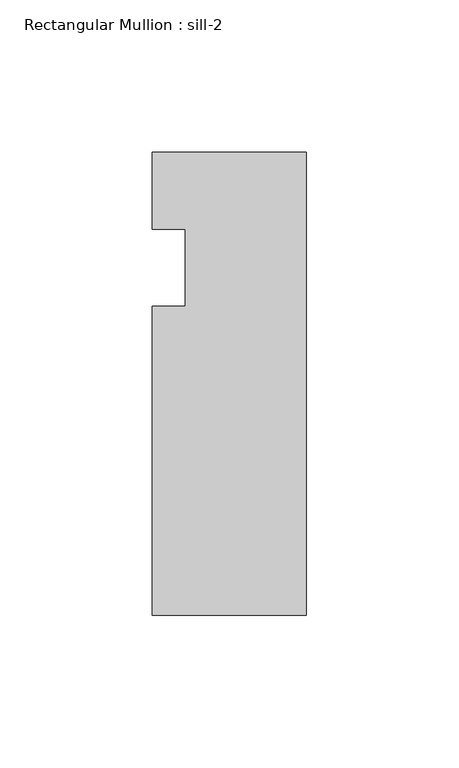
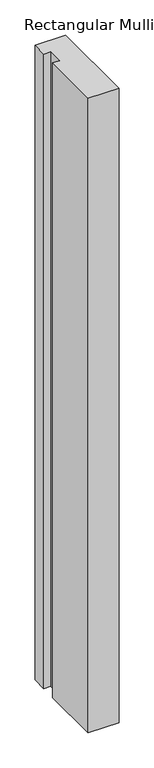
"""IFC4 building model written with IfcOpenShell, lengths in millimetres: member geometry, Rectangular Mullion : sill-2."""

from ifc_helpers import new_model, si_unit, frame, origin, place, context, project, spatial, polyline, outline, extrude, source, transform, mapped, element, save


def rectangular_mullion_sill_2_fe0df52f(model_context):
    return source(origin(), model_context, "Body", "SweptSolid", [
        extrude(outline(polyline([(0.0, 6.35), (0.0, -146.05), (-50.8, -146.05), (-50.8, -44.45), (-39.798625, -44.45), (-39.798625, -19.05), (-50.8, -19.05), (-50.8, 6.35), (0.0, 6.35)])), frame((0.0, 0.0, -1104.9), z_axis=(0.0, 0.0, 1.0), x_axis=(1.0, 0.0, 0.0)), (0.0, 0.0, 1.0), 1104.9),
    ])


if __name__ == "__main__":
    model = new_model("IFC4")
    model_context = context("Model", 3, world=origin())
    ifc_project = project(units=[si_unit("LENGTHUNIT", "METRE", prefix="MILLI")], contexts=[model_context])
    site = spatial("IfcSite", under=ifc_project)
    building = spatial("IfcBuilding", under=site)
    placement = place(None, origin())
    rectangular_mullion_sill_2_shape = rectangular_mullion_sill_2_fe0df52f(model_context)
    element("IfcMember", 1, ObjectType="Rectangular Mullion : sill-2", at=placement, inside=building, context=model_context, shape_type="MappedRepresentation", body=[
        mapped(rectangular_mullion_sill_2_shape, transform((0.0, 0.0, 0.0), x_axis=(1.0, 0.0, 0.0), y_axis=(0.0, 1.0, 0.0), z_axis=(0.0, 0.0, 1.0))),
    ])
    save(model, "model.ifc")
